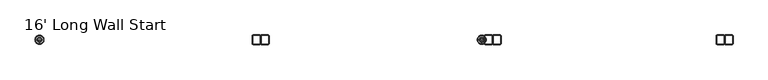
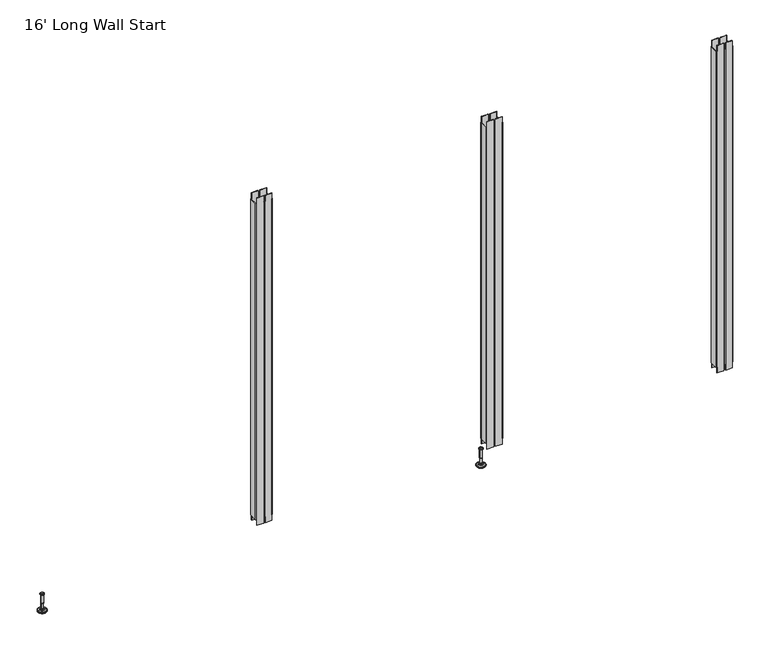
"""IFC4 building model written with IfcOpenShell, lengths in millimetres: furniture geometry, 16' Long Wall Start."""

from ifc_helpers import new_model, si_unit, frame, origin, place, context, project, spatial, polyline, circle_curve, faceted_brep, source, transform, mapped, element, save
from ifc_brep_helpers import plane_surface, cylinder_surface, revolved_surface, advanced_brep


def furniture_16_long_wall_start_6b36d2c8(model_context):
    return source(origin(), model_context, "Body", "SolidModel", [
        advanced_brep(
        [(2381.0635677, 0.0, 101.6), (2390.0414891, 0.0, 101.6), (2372.0856463, 0.0, 101.6), (2366.9593278, 0.0, 0.0206943), (2395.1678076, 0.0, 0.0206943), (2381.0635677, 0.0, 0.0206943), (2362.081296, 0.0, 1.4194474), (2400.0458394, 0.0, 1.4194474), (2358.319381, 0.0, 4.7394056), (2403.8077544, 0.0, 4.7394056), (2357.2019314, 0.0, 7.5051905), (2404.925204, 0.0, 7.5051905), (2357.2019314, 0.0, 8.3065967), (2404.925204, 0.0, 8.3065967), (2358.0443346, 0.0, 9.8469348), (2404.0828008, 0.0, 9.8469348), (2359.1444772, 0.0, 10.8375077), (2402.9826582, 0.0, 10.8375077), (2366.4481724, 0.0, 12.7338946), (2395.678963, 0.0, 12.7338946), (2373.8663238, 0.0, 13.3828987), (2388.2608116, 0.0, 13.3828987), (2373.8663238, 0.0, 14.1772758), (2388.2608116, 0.0, 14.1772758), (2376.2631166, 0.0, 14.1772758), (2385.8640188, 0.0, 14.1772758), (2376.2631166, 0.0, 18.8098403), (2385.8640188, 0.0, 18.8098403), (2375.247264, 0.0, 19.8256929), (2386.8798714, 0.0, 19.8256929), (2375.247264, 0.0, 48.3056352), (2386.8798714, 0.0, 48.3056352), (2374.0237361, 0.0, 49.9293116), (2388.1033993, 0.0, 49.9293116), (2374.0237361, 0.0, 97.327223), (2388.1033993, 0.0, 97.327223), (2373.1426317, 0.0, 97.6479188), (2388.9845037, 0.0, 97.6479188), (2372.0936428, 0.0, 97.6479188), (2390.0334926, 0.0, 97.6479188), (2370.4286129, 0.0, 98.6092242), (2391.6985225, 0.0, 98.6092242), (2370.4286129, 0.0, 100.6043539), (2391.6985225, 0.0, 100.6043539)],
        [
            (0, 1),
            (1, 2, circle_curve(frame((2381.0635677, 0.0, 101.6), z_axis=(0.0, 0.0, 1.0), x_axis=(1.0, 0.0, 0.0)), 8.9779214)),
            (2, 0),
            (2, 1, circle_curve(frame((2381.0635677, 0.0, 101.6), z_axis=(0.0, 0.0, 1.0), x_axis=(1.0, 0.0, 0.0)), 8.9779214)),
            (3, 4, circle_curve(frame((2381.0635677, 0.0, 0.0206943), z_axis=(0.0, 0.0, -1.0), x_axis=(1.0, 0.0, 0.0)), 14.1042399)),
            (4, 5),
            (5, 3),
            (4, 3, circle_curve(frame((2381.0635677, 0.0, 0.0206943), z_axis=(0.0, 0.0, -1.0), x_axis=(1.0, 0.0, 0.0)), 14.1042399)),
            (6, 7, circle_curve(frame((2381.0635677, 0.0, 1.4194474), z_axis=(0.0, 0.0, -1.0), x_axis=(1.0, 0.0, 0.0)), 18.9822717)),
            (7, 4),
            (3, 6),
            (7, 6, circle_curve(frame((2381.0635677, 0.0, 1.4194474), z_axis=(0.0, 0.0, -1.0), x_axis=(1.0, 0.0, 0.0)), 18.9822717)),
            (8, 9, circle_curve(frame((2381.0635677, 0.0, 4.7394056), z_axis=(0.0, 0.0, -1.0), x_axis=(1.0, 0.0, 0.0)), 22.7441867)),
            (9, 7),
            (6, 8),
            (9, 8, circle_curve(frame((2381.0635677, 0.0, 4.7394056), z_axis=(0.0, 0.0, -1.0), x_axis=(1.0, 0.0, 0.0)), 22.7441867)),
            (10, 11, circle_curve(frame((2381.0635677, 0.0, 7.5051905), z_axis=(0.0, 0.0, -1.0), x_axis=(1.0, 0.0, 0.0)), 23.8616363)),
            (11, 9),
            (8, 10),
            (11, 10, circle_curve(frame((2381.0635677, 0.0, 7.5051905), z_axis=(0.0, 0.0, -1.0), x_axis=(1.0, 0.0, 0.0)), 23.8616363)),
            (12, 13, circle_curve(frame((2381.0635677, 0.0, 8.3065967), z_axis=(0.0, 0.0, -1.0), x_axis=(1.0, 0.0, 0.0)), 23.8616363)),
            (13, 11),
            (10, 12),
            (13, 12, circle_curve(frame((2381.0635677, 0.0, 8.3065967), z_axis=(0.0, 0.0, -1.0), x_axis=(1.0, 0.0, 0.0)), 23.8616363)),
            (14, 15, circle_curve(frame((2381.0635677, 0.0, 9.8469348), z_axis=(0.0, 0.0, -1.0), x_axis=(1.0, 0.0, 0.0)), 23.0192331)),
            (15, 13),
            (12, 14),
            (15, 14, circle_curve(frame((2381.0635677, 0.0, 9.8469348), z_axis=(0.0, 0.0, -1.0), x_axis=(1.0, 0.0, 0.0)), 23.0192331)),
            (16, 17, circle_curve(frame((2381.0635677, 0.0, 10.8375077), z_axis=(0.0, 0.0, -1.0), x_axis=(1.0, 0.0, 0.0)), 21.9190905)),
            (17, 15),
            (14, 16),
            (17, 16, circle_curve(frame((2381.0635677, 0.0, 10.8375077), z_axis=(0.0, 0.0, -1.0), x_axis=(1.0, 0.0, 0.0)), 21.9190905)),
            (18, 19, circle_curve(frame((2381.0635677, 0.0, 12.7338946), z_axis=(0.0, 0.0, -1.0), x_axis=(1.0, 0.0, 0.0)), 14.6153953)),
            (19, 17),
            (16, 18),
            (19, 18, circle_curve(frame((2381.0635677, 0.0, 12.7338946), z_axis=(0.0, 0.0, -1.0), x_axis=(1.0, 0.0, 0.0)), 14.6153953)),
            (20, 21, circle_curve(frame((2381.0635677, 0.0, 13.3828987), z_axis=(0.0, 0.0, -1.0), x_axis=(1.0, 0.0, 0.0)), 7.1972439)),
            (21, 19),
            (18, 20),
            (21, 20, circle_curve(frame((2381.0635677, 0.0, 13.3828987), z_axis=(0.0, 0.0, -1.0), x_axis=(1.0, 0.0, 0.0)), 7.1972439)),
            (22, 23, circle_curve(frame((2381.0635677, 0.0, 14.1772758), z_axis=(0.0, 0.0, -1.0), x_axis=(1.0, 0.0, 0.0)), 7.1972439)),
            (23, 21),
            (20, 22),
            (23, 22, circle_curve(frame((2381.0635677, 0.0, 14.1772758), z_axis=(0.0, 0.0, -1.0), x_axis=(1.0, 0.0, 0.0)), 7.1972439)),
            (24, 25, circle_curve(frame((2381.0635677, 0.0, 14.1772758), z_axis=(0.0, 0.0, -1.0), x_axis=(1.0, 0.0, 0.0)), 4.8004511)),
            (25, 23),
            (22, 24),
            (25, 24, circle_curve(frame((2381.0635677, 0.0, 14.1772758), z_axis=(0.0, 0.0, -1.0), x_axis=(1.0, 0.0, 0.0)), 4.8004511)),
            (26, 27, circle_curve(frame((2381.0635677, 0.0, 18.8098403), z_axis=(0.0, 0.0, -1.0), x_axis=(1.0, 0.0, 0.0)), 4.8004511)),
            (27, 25),
            (24, 26),
            (27, 26, circle_curve(frame((2381.0635677, 0.0, 18.8098403), z_axis=(0.0, 0.0, -1.0), x_axis=(1.0, 0.0, 0.0)), 4.8004511)),
            (28, 29, circle_curve(frame((2381.0635677, 0.0, 19.8256929), z_axis=(0.0, 0.0, -1.0), x_axis=(1.0, 0.0, 0.0)), 5.8163037)),
            (29, 27),
            (26, 28),
            (29, 28, circle_curve(frame((2381.0635677, 0.0, 19.8256929), z_axis=(0.0, 0.0, -1.0), x_axis=(1.0, 0.0, 0.0)), 5.8163037)),
            (30, 31, circle_curve(frame((2381.0635677, 0.0, 48.3056352), z_axis=(0.0, 0.0, -1.0), x_axis=(1.0, 0.0, 0.0)), 5.8163037)),
            (31, 29),
            (28, 30),
            (31, 30, circle_curve(frame((2381.0635677, 0.0, 48.3056352), z_axis=(0.0, 0.0, -1.0), x_axis=(1.0, 0.0, 0.0)), 5.8163037)),
            (32, 33, circle_curve(frame((2381.0635677, 0.0, 49.9293116), z_axis=(0.0, 0.0, -1.0), x_axis=(1.0, 0.0, 0.0)), 7.0398316)),
            (33, 31),
            (30, 32),
            (33, 32, circle_curve(frame((2381.0635677, 0.0, 49.9293116), z_axis=(0.0, 0.0, -1.0), x_axis=(1.0, 0.0, 0.0)), 7.0398316)),
            (34, 35, circle_curve(frame((2381.0635677, 0.0, 97.327223), z_axis=(0.0, 0.0, -1.0), x_axis=(1.0, 0.0, 0.0)), 7.0398316)),
            (35, 33),
            (32, 34),
            (35, 34, circle_curve(frame((2381.0635677, 0.0, 97.327223), z_axis=(0.0, 0.0, -1.0), x_axis=(1.0, 0.0, 0.0)), 7.0398316)),
            (36, 37, circle_curve(frame((2381.0635677, 0.0, 97.6479188), z_axis=(0.0, 0.0, -1.0), x_axis=(1.0, 0.0, 0.0)), 7.920936)),
            (37, 35),
            (34, 36),
            (37, 36, circle_curve(frame((2381.0635677, 0.0, 97.6479188), z_axis=(0.0, 0.0, -1.0), x_axis=(1.0, 0.0, 0.0)), 7.920936)),
            (38, 39, circle_curve(frame((2381.0635677, 0.0, 97.6479188), z_axis=(0.0, 0.0, -1.0), x_axis=(1.0, 0.0, 0.0)), 8.9699249)),
            (39, 37),
            (36, 38),
            (39, 38, circle_curve(frame((2381.0635677, 0.0, 97.6479188), z_axis=(0.0, 0.0, -1.0), x_axis=(1.0, 0.0, 0.0)), 8.9699249)),
            (40, 41, circle_curve(frame((2381.0635677, 0.0, 98.6092242), z_axis=(0.0, 0.0, -1.0), x_axis=(1.0, 0.0, 0.0)), 10.6349548)),
            (41, 39),
            (38, 40),
            (41, 40, circle_curve(frame((2381.0635677, 0.0, 98.6092242), z_axis=(0.0, 0.0, -1.0), x_axis=(1.0, 0.0, 0.0)), 10.6349548)),
            (42, 43, circle_curve(frame((2381.0635677, 0.0, 100.6043539), z_axis=(0.0, 0.0, -1.0), x_axis=(1.0, 0.0, 0.0)), 10.6349548)),
            (43, 41),
            (40, 42),
            (43, 42, circle_curve(frame((2381.0635677, 0.0, 100.6043539), z_axis=(0.0, 0.0, -1.0), x_axis=(1.0, 0.0, 0.0)), 10.6349548)),
            (1, 43),
            (42, 2),
        ],
        [
            plane_surface(frame((2381.0635677, 0.0, 101.6), z_axis=(0.0, 0.0, 1.0), x_axis=(1.0, 0.0, 0.0))),
            plane_surface(frame((2381.0635677, 0.0, 0.0206943), z_axis=(0.0, 0.0, -1.0), x_axis=(1.0, 0.0, 0.0))),
            revolved_surface(polyline([(2395.1678076, 0.0, 0.0206943), (2400.0458394, 0.0, 1.4194474)]), (2381.0635677, 0.0, 101.6), (0.0, 0.0, 1.0)),
            revolved_surface(polyline([(2400.0458394, 0.0, 1.4194474), (2403.8077544, 0.0, 4.7394056)]), (2381.0635677, 0.0, 101.6), (0.0, 0.0, 1.0)),
            revolved_surface(polyline([(2403.8077544, 0.0, 4.7394056), (2404.925204, 0.0, 7.5051905)]), (2381.0635677, 0.0, 101.6), (0.0, 0.0, 1.0)),
            cylinder_surface(frame((2381.0635677, 0.0, 101.6), z_axis=(0.0, 0.0, 1.0), x_axis=(1.0, 0.0, 0.0)), 23.8616363),
            revolved_surface(polyline([(2404.925204, 0.0, 8.3065967), (2404.0828008, 0.0, 9.8469348)]), (2381.0635677, 0.0, 101.6), (0.0, 0.0, 1.0)),
            revolved_surface(polyline([(2404.0828008, 0.0, 9.8469348), (2402.9826582, 0.0, 10.8375077)]), (2381.0635677, 0.0, 101.6), (0.0, 0.0, 1.0)),
            revolved_surface(polyline([(2402.9826582, 0.0, 10.8375077), (2395.678963, 0.0, 12.7338946)]), (2381.0635677, 0.0, 101.6), (0.0, 0.0, 1.0)),
            revolved_surface(polyline([(2395.678963, 0.0, 12.7338946), (2388.2608116, 0.0, 13.3828987)]), (2381.0635677, 0.0, 101.6), (0.0, 0.0, 1.0)),
            cylinder_surface(frame((2381.0635677, 0.0, 101.6), z_axis=(0.0, 0.0, 1.0), x_axis=(1.0, 0.0, 0.0)), 7.1972439),
            plane_surface(frame((2381.0635677, 0.0, 14.1772758), z_axis=(0.0, 0.0, 1.0), x_axis=(1.0, 0.0, 0.0))),
            cylinder_surface(frame((2381.0635677, 0.0, 101.6), z_axis=(0.0, 0.0, 1.0), x_axis=(1.0, 0.0, 0.0)), 4.8004511),
            revolved_surface(polyline([(2385.8640188, 0.0, 18.8098403), (2386.8798714, 0.0, 19.8256929)]), (2381.0635677, 0.0, 101.6), (0.0, 0.0, 1.0)),
            cylinder_surface(frame((2381.0635677, 0.0, 101.6), z_axis=(0.0, 0.0, 1.0), x_axis=(1.0, 0.0, 0.0)), 5.8163037),
            revolved_surface(polyline([(2386.8798714, 0.0, 48.3056352), (2388.1033993, 0.0, 49.9293116)]), (2381.0635677, 0.0, 101.6), (0.0, 0.0, 1.0)),
            cylinder_surface(frame((2381.0635677, 0.0, 101.6), z_axis=(0.0, 0.0, 1.0), x_axis=(1.0, 0.0, 0.0)), 7.0398316),
            revolved_surface(polyline([(2388.1033993, 0.0, 97.327223), (2388.9845037, 0.0, 97.6479188)]), (2381.0635677, 0.0, 101.6), (0.0, 0.0, 1.0)),
            plane_surface(frame((2381.0635677, 0.0, 97.6479188), z_axis=(0.0, 0.0, -1.0), x_axis=(1.0, 0.0, 0.0))),
            revolved_surface(polyline([(2390.0334926, 0.0, 97.6479188), (2391.6985225, 0.0, 98.6092242)]), (2381.0635677, 0.0, 101.6), (0.0, 0.0, 1.0)),
            cylinder_surface(frame((2381.0635677, 0.0, 101.6), z_axis=(0.0, 0.0, 1.0), x_axis=(1.0, 0.0, 0.0)), 10.6349548),
            revolved_surface(polyline([(2391.6985225, 0.0, 100.6043539), (2390.0414891, 0.0, 101.6)]), (2381.0635677, 0.0, 101.6), (0.0, 0.0, 1.0)),
        ],
        [
            (0, [[1, 2, 3]]),
            (0, [[-3, 4, -1]]),
            (1, [[5, 6, 7]]),
            (1, [[8, -7, -6]]),
            (2, [[9, 10, -5, 11]]),
            (2, [[12, -11, -8, -10]]),
            (3, [[13, 14, -9, 15]]),
            (3, [[16, -15, -12, -14]]),
            (4, [[17, 18, -13, 19]]),
            (4, [[20, -19, -16, -18]]),
            (5, [[21, 22, -17, 23]]),
            (5, [[24, -23, -20, -22]]),
            (6, [[25, 26, -21, 27]]),
            (6, [[28, -27, -24, -26]]),
            (7, [[29, 30, -25, 31]]),
            (7, [[32, -31, -28, -30]]),
            (8, [[33, 34, -29, 35]]),
            (8, [[36, -35, -32, -34]]),
            (9, [[37, 38, -33, 39]]),
            (9, [[40, -39, -36, -38]]),
            (10, [[41, 42, -37, 43]]),
            (10, [[44, -43, -40, -42]]),
            (11, [[45, 46, -41, 47]]),
            (11, [[48, -47, -44, -46]]),
            (12, [[49, 50, -45, 51]]),
            (12, [[52, -51, -48, -50]]),
            (13, [[53, 54, -49, 55]]),
            (13, [[56, -55, -52, -54]]),
            (14, [[57, 58, -53, 59]]),
            (14, [[60, -59, -56, -58]]),
            (15, [[61, 62, -57, 63]]),
            (15, [[64, -63, -60, -62]]),
            (16, [[65, 66, -61, 67]]),
            (16, [[68, -67, -64, -66]]),
            (17, [[69, 70, -65, 71]]),
            (17, [[72, -71, -68, -70]]),
            (18, [[73, 74, -69, 75]]),
            (18, [[76, -75, -72, -74]]),
            (19, [[77, 78, -73, 79]]),
            (19, [[80, -79, -76, -78]]),
            (20, [[81, 82, -77, 83]]),
            (20, [[84, -83, -80, -82]]),
            (21, [[-2, 85, -81, 86]]),
            (21, [[-4, -86, -84, -85]]),
        ],
    ),
        advanced_brep(
        [(57.0627865, 0.0, 101.6), (66.0407079, 0.0, 101.6), (48.084865, 0.0, 101.6), (42.9585465, 0.0, 0.0206943), (71.1670264, 0.0, 0.0206943), (57.0627865, 0.0, 0.0206943), (38.0805148, 0.0, 1.4194474), (76.0450581, 0.0, 1.4194474), (34.3185997, 0.0, 4.7394056), (79.8069732, 0.0, 4.7394056), (33.2011501, 0.0, 7.5051905), (80.9244228, 0.0, 7.5051905), (33.2011501, 0.0, 8.3065967), (80.9244228, 0.0, 8.3065967), (34.0435533, 0.0, 9.8469348), (80.0820196, 0.0, 9.8469348), (35.143696, 0.0, 10.8375077), (78.9818769, 0.0, 10.8375077), (42.4473912, 0.0, 12.7338946), (71.6781817, 0.0, 12.7338946), (49.8655426, 0.0, 13.3828987), (64.2600304, 0.0, 13.3828987), (49.8655426, 0.0, 14.1772758), (64.2600304, 0.0, 14.1772758), (52.2623354, 0.0, 14.1772758), (61.8632375, 0.0, 14.1772758), (52.2623354, 0.0, 18.8098403), (61.8632375, 0.0, 18.8098403), (51.2464827, 0.0, 19.8256929), (62.8790902, 0.0, 19.8256929), (51.2464827, 0.0, 48.3056352), (62.8790902, 0.0, 48.3056352), (50.0229548, 0.0, 49.9293116), (64.1026181, 0.0, 49.9293116), (50.0229548, 0.0, 97.327223), (64.1026181, 0.0, 97.327223), (49.1418505, 0.0, 97.6479188), (64.9837224, 0.0, 97.6479188), (48.0928615, 0.0, 97.6479188), (66.0327114, 0.0, 97.6479188), (46.4278316, 0.0, 98.6092242), (67.6977413, 0.0, 98.6092242), (46.4278316, 0.0, 100.6043539), (67.6977413, 0.0, 100.6043539)],
        [
            (0, 1),
            (1, 2, circle_curve(frame((57.0627865, 0.0, 101.6), z_axis=(0.0, 0.0, 1.0), x_axis=(1.0, 0.0, 0.0)), 8.9779214)),
            (2, 0),
            (2, 1, circle_curve(frame((57.0627865, 0.0, 101.6), z_axis=(0.0, 0.0, 1.0), x_axis=(1.0, 0.0, 0.0)), 8.9779214)),
            (3, 4, circle_curve(frame((57.0627865, 0.0, 0.0206943), z_axis=(0.0, 0.0, -1.0), x_axis=(1.0, 0.0, 0.0)), 14.1042399)),
            (4, 5),
            (5, 3),
            (4, 3, circle_curve(frame((57.0627865, 0.0, 0.0206943), z_axis=(0.0, 0.0, -1.0), x_axis=(1.0, 0.0, 0.0)), 14.1042399)),
            (6, 7, circle_curve(frame((57.0627865, 0.0, 1.4194474), z_axis=(0.0, 0.0, -1.0), x_axis=(1.0, 0.0, 0.0)), 18.9822717)),
            (7, 4),
            (3, 6),
            (7, 6, circle_curve(frame((57.0627865, 0.0, 1.4194474), z_axis=(0.0, 0.0, -1.0), x_axis=(1.0, 0.0, 0.0)), 18.9822717)),
            (8, 9, circle_curve(frame((57.0627865, 0.0, 4.7394056), z_axis=(0.0, 0.0, -1.0), x_axis=(1.0, 0.0, 0.0)), 22.7441867)),
            (9, 7),
            (6, 8),
            (9, 8, circle_curve(frame((57.0627865, 0.0, 4.7394056), z_axis=(0.0, 0.0, -1.0), x_axis=(1.0, 0.0, 0.0)), 22.7441867)),
            (10, 11, circle_curve(frame((57.0627865, 0.0, 7.5051905), z_axis=(0.0, 0.0, -1.0), x_axis=(1.0, 0.0, 0.0)), 23.8616363)),
            (11, 9),
            (8, 10),
            (11, 10, circle_curve(frame((57.0627865, 0.0, 7.5051905), z_axis=(0.0, 0.0, -1.0), x_axis=(1.0, 0.0, 0.0)), 23.8616363)),
            (12, 13, circle_curve(frame((57.0627865, 0.0, 8.3065967), z_axis=(0.0, 0.0, -1.0), x_axis=(1.0, 0.0, 0.0)), 23.8616363)),
            (13, 11),
            (10, 12),
            (13, 12, circle_curve(frame((57.0627865, 0.0, 8.3065967), z_axis=(0.0, 0.0, -1.0), x_axis=(1.0, 0.0, 0.0)), 23.8616363)),
            (14, 15, circle_curve(frame((57.0627865, 0.0, 9.8469348), z_axis=(0.0, 0.0, -1.0), x_axis=(1.0, 0.0, 0.0)), 23.0192331)),
            (15, 13),
            (12, 14),
            (15, 14, circle_curve(frame((57.0627865, 0.0, 9.8469348), z_axis=(0.0, 0.0, -1.0), x_axis=(1.0, 0.0, 0.0)), 23.0192331)),
            (16, 17, circle_curve(frame((57.0627865, 0.0, 10.8375077), z_axis=(0.0, 0.0, -1.0), x_axis=(1.0, 0.0, 0.0)), 21.9190905)),
            (17, 15),
            (14, 16),
            (17, 16, circle_curve(frame((57.0627865, 0.0, 10.8375077), z_axis=(0.0, 0.0, -1.0), x_axis=(1.0, 0.0, 0.0)), 21.9190905)),
            (18, 19, circle_curve(frame((57.0627865, 0.0, 12.7338946), z_axis=(0.0, 0.0, -1.0), x_axis=(1.0, 0.0, 0.0)), 14.6153953)),
            (19, 17),
            (16, 18),
            (19, 18, circle_curve(frame((57.0627865, 0.0, 12.7338946), z_axis=(0.0, 0.0, -1.0), x_axis=(1.0, 0.0, 0.0)), 14.6153953)),
            (20, 21, circle_curve(frame((57.0627865, 0.0, 13.3828987), z_axis=(0.0, 0.0, -1.0), x_axis=(1.0, 0.0, 0.0)), 7.1972439)),
            (21, 19),
            (18, 20),
            (21, 20, circle_curve(frame((57.0627865, 0.0, 13.3828987), z_axis=(0.0, 0.0, -1.0), x_axis=(1.0, 0.0, 0.0)), 7.1972439)),
            (22, 23, circle_curve(frame((57.0627865, 0.0, 14.1772758), z_axis=(0.0, 0.0, -1.0), x_axis=(1.0, 0.0, 0.0)), 7.1972439)),
            (23, 21),
            (20, 22),
            (23, 22, circle_curve(frame((57.0627865, 0.0, 14.1772758), z_axis=(0.0, 0.0, -1.0), x_axis=(1.0, 0.0, 0.0)), 7.1972439)),
            (24, 25, circle_curve(frame((57.0627865, 0.0, 14.1772758), z_axis=(0.0, 0.0, -1.0), x_axis=(1.0, 0.0, 0.0)), 4.8004511)),
            (25, 23),
            (22, 24),
            (25, 24, circle_curve(frame((57.0627865, 0.0, 14.1772758), z_axis=(0.0, 0.0, -1.0), x_axis=(1.0, 0.0, 0.0)), 4.8004511)),
            (26, 27, circle_curve(frame((57.0627865, 0.0, 18.8098403), z_axis=(0.0, 0.0, -1.0), x_axis=(1.0, 0.0, 0.0)), 4.8004511)),
            (27, 25),
            (24, 26),
            (27, 26, circle_curve(frame((57.0627865, 0.0, 18.8098403), z_axis=(0.0, 0.0, -1.0), x_axis=(1.0, 0.0, 0.0)), 4.8004511)),
            (28, 29, circle_curve(frame((57.0627865, 0.0, 19.8256929), z_axis=(0.0, 0.0, -1.0), x_axis=(1.0, 0.0, 0.0)), 5.8163037)),
            (29, 27),
            (26, 28),
            (29, 28, circle_curve(frame((57.0627865, 0.0, 19.8256929), z_axis=(0.0, 0.0, -1.0), x_axis=(1.0, 0.0, 0.0)), 5.8163037)),
            (30, 31, circle_curve(frame((57.0627865, 0.0, 48.3056352), z_axis=(0.0, 0.0, -1.0), x_axis=(1.0, 0.0, 0.0)), 5.8163037)),
            (31, 29),
            (28, 30),
            (31, 30, circle_curve(frame((57.0627865, 0.0, 48.3056352), z_axis=(0.0, 0.0, -1.0), x_axis=(1.0, 0.0, 0.0)), 5.8163037)),
            (32, 33, circle_curve(frame((57.0627865, 0.0, 49.9293116), z_axis=(0.0, 0.0, -1.0), x_axis=(1.0, 0.0, 0.0)), 7.0398316)),
            (33, 31),
            (30, 32),
            (33, 32, circle_curve(frame((57.0627865, 0.0, 49.9293116), z_axis=(0.0, 0.0, -1.0), x_axis=(1.0, 0.0, 0.0)), 7.0398316)),
            (34, 35, circle_curve(frame((57.0627865, 0.0, 97.327223), z_axis=(0.0, 0.0, -1.0), x_axis=(1.0, 0.0, 0.0)), 7.0398316)),
            (35, 33),
            (32, 34),
            (35, 34, circle_curve(frame((57.0627865, 0.0, 97.327223), z_axis=(0.0, 0.0, -1.0), x_axis=(1.0, 0.0, 0.0)), 7.0398316)),
            (36, 37, circle_curve(frame((57.0627865, 0.0, 97.6479188), z_axis=(0.0, 0.0, -1.0), x_axis=(1.0, 0.0, 0.0)), 7.920936)),
            (37, 35),
            (34, 36),
            (37, 36, circle_curve(frame((57.0627865, 0.0, 97.6479188), z_axis=(0.0, 0.0, -1.0), x_axis=(1.0, 0.0, 0.0)), 7.920936)),
            (38, 39, circle_curve(frame((57.0627865, 0.0, 97.6479188), z_axis=(0.0, 0.0, -1.0), x_axis=(1.0, 0.0, 0.0)), 8.9699249)),
            (39, 37),
            (36, 38),
            (39, 38, circle_curve(frame((57.0627865, 0.0, 97.6479188), z_axis=(0.0, 0.0, -1.0), x_axis=(1.0, 0.0, 0.0)), 8.9699249)),
            (40, 41, circle_curve(frame((57.0627865, 0.0, 98.6092242), z_axis=(0.0, 0.0, -1.0), x_axis=(1.0, 0.0, 0.0)), 10.6349548)),
            (41, 39),
            (38, 40),
            (41, 40, circle_curve(frame((57.0627865, 0.0, 98.6092242), z_axis=(0.0, 0.0, -1.0), x_axis=(1.0, 0.0, 0.0)), 10.6349548)),
            (42, 43, circle_curve(frame((57.0627865, 0.0, 100.6043539), z_axis=(0.0, 0.0, -1.0), x_axis=(1.0, 0.0, 0.0)), 10.6349548)),
            (43, 41),
            (40, 42),
            (43, 42, circle_curve(frame((57.0627865, 0.0, 100.6043539), z_axis=(0.0, 0.0, -1.0), x_axis=(1.0, 0.0, 0.0)), 10.6349548)),
            (1, 43),
            (42, 2),
        ],
        [
            plane_surface(frame((57.0627865, 0.0, 101.6), z_axis=(0.0, 0.0, 1.0), x_axis=(1.0, 0.0, 0.0))),
            plane_surface(frame((57.0627865, 0.0, 0.0206943), z_axis=(0.0, 0.0, -1.0), x_axis=(1.0, 0.0, 0.0))),
            revolved_surface(polyline([(71.1670264, 0.0, 0.0206943), (76.0450581, 0.0, 1.4194474)]), (57.0627865, 0.0, 101.6), (0.0, 0.0, 1.0)),
            revolved_surface(polyline([(76.0450581, 0.0, 1.4194474), (79.8069732, 0.0, 4.7394056)]), (57.0627865, 0.0, 101.6), (0.0, 0.0, 1.0)),
            revolved_surface(polyline([(79.8069732, 0.0, 4.7394056), (80.9244228, 0.0, 7.5051905)]), (57.0627865, 0.0, 101.6), (0.0, 0.0, 1.0)),
            cylinder_surface(frame((57.0627865, 0.0, 101.6), z_axis=(0.0, 0.0, 1.0), x_axis=(1.0, 0.0, 0.0)), 23.8616363),
            revolved_surface(polyline([(80.9244228, 0.0, 8.3065967), (80.0820196, 0.0, 9.8469348)]), (57.0627865, 0.0, 101.6), (0.0, 0.0, 1.0)),
            revolved_surface(polyline([(80.0820196, 0.0, 9.8469348), (78.9818769, 0.0, 10.8375077)]), (57.0627865, 0.0, 101.6), (0.0, 0.0, 1.0)),
            revolved_surface(polyline([(78.9818769, 0.0, 10.8375077), (71.6781817, 0.0, 12.7338946)]), (57.0627865, 0.0, 101.6), (0.0, 0.0, 1.0)),
            revolved_surface(polyline([(71.6781817, 0.0, 12.7338946), (64.2600304, 0.0, 13.3828987)]), (57.0627865, 0.0, 101.6), (0.0, 0.0, 1.0)),
            cylinder_surface(frame((57.0627865, 0.0, 101.6), z_axis=(0.0, 0.0, 1.0), x_axis=(1.0, 0.0, 0.0)), 7.1972439),
            plane_surface(frame((57.0627865, 0.0, 14.1772758), z_axis=(0.0, 0.0, 1.0), x_axis=(1.0, 0.0, 0.0))),
            cylinder_surface(frame((57.0627865, 0.0, 101.6), z_axis=(0.0, 0.0, 1.0), x_axis=(1.0, 0.0, 0.0)), 4.8004511),
            revolved_surface(polyline([(61.8632375, 0.0, 18.8098403), (62.8790902, 0.0, 19.8256929)]), (57.0627865, 0.0, 101.6), (0.0, 0.0, 1.0)),
            cylinder_surface(frame((57.0627865, 0.0, 101.6), z_axis=(0.0, 0.0, 1.0), x_axis=(1.0, 0.0, 0.0)), 5.8163037),
            revolved_surface(polyline([(62.8790902, 0.0, 48.3056352), (64.1026181, 0.0, 49.9293116)]), (57.0627865, 0.0, 101.6), (0.0, 0.0, 1.0)),
            cylinder_surface(frame((57.0627865, 0.0, 101.6), z_axis=(0.0, 0.0, 1.0), x_axis=(1.0, 0.0, 0.0)), 7.0398316),
            revolved_surface(polyline([(64.1026181, 0.0, 97.327223), (64.9837224, 0.0, 97.6479188)]), (57.0627865, 0.0, 101.6), (0.0, 0.0, 1.0)),
            plane_surface(frame((57.0627865, 0.0, 97.6479188), z_axis=(0.0, 0.0, -1.0), x_axis=(1.0, 0.0, 0.0))),
            revolved_surface(polyline([(66.0327114, 0.0, 97.6479188), (67.6977413, 0.0, 98.6092242)]), (57.0627865, 0.0, 101.6), (0.0, 0.0, 1.0)),
            cylinder_surface(frame((57.0627865, 0.0, 101.6), z_axis=(0.0, 0.0, 1.0), x_axis=(1.0, 0.0, 0.0)), 10.6349548),
            revolved_surface(polyline([(67.6977413, 0.0, 100.6043539), (66.0407079, 0.0, 101.6)]), (57.0627865, 0.0, 101.6), (0.0, 0.0, 1.0)),
        ],
        [
            (0, [[1, 2, 3]]),
            (0, [[-3, 4, -1]]),
            (1, [[5, 6, 7]]),
            (1, [[8, -7, -6]]),
            (2, [[9, 10, -5, 11]]),
            (2, [[12, -11, -8, -10]]),
            (3, [[13, 14, -9, 15]]),
            (3, [[16, -15, -12, -14]]),
            (4, [[17, 18, -13, 19]]),
            (4, [[20, -19, -16, -18]]),
            (5, [[21, 22, -17, 23]]),
            (5, [[24, -23, -20, -22]]),
            (6, [[25, 26, -21, 27]]),
            (6, [[28, -27, -24, -26]]),
            (7, [[29, 30, -25, 31]]),
            (7, [[32, -31, -28, -30]]),
            (8, [[33, 34, -29, 35]]),
            (8, [[36, -35, -32, -34]]),
            (9, [[37, 38, -33, 39]]),
            (9, [[40, -39, -36, -38]]),
            (10, [[41, 42, -37, 43]]),
            (10, [[44, -43, -40, -42]]),
            (11, [[45, 46, -41, 47]]),
            (11, [[48, -47, -44, -46]]),
            (12, [[49, 50, -45, 51]]),
            (12, [[52, -51, -48, -50]]),
            (13, [[53, 54, -49, 55]]),
            (13, [[56, -55, -52, -54]]),
            (14, [[57, 58, -53, 59]]),
            (14, [[60, -59, -56, -58]]),
            (15, [[61, 62, -57, 63]]),
            (15, [[64, -63, -60, -62]]),
            (16, [[65, 66, -61, 67]]),
            (16, [[68, -67, -64, -66]]),
            (17, [[69, 70, -65, 71]]),
            (17, [[72, -71, -68, -70]]),
            (18, [[73, 74, -69, 75]]),
            (18, [[76, -75, -72, -74]]),
            (19, [[77, 78, -73, 79]]),
            (19, [[80, -79, -76, -78]]),
            (20, [[81, 82, -77, 83]]),
            (20, [[84, -83, -80, -82]]),
            (21, [[-2, 85, -81, 86]]),
            (21, [[-4, -86, -84, -85]]),
        ],
    ),
        faceted_brep([(1223.6958, 25.4, 1937.6408515), (1223.6958, 23.1181008, 1937.6408515), (1224.1151471, 23.2918, 1937.6408515), (1258.7348529, 23.2918, 1937.6408515), (1259.1542, 23.1181008, 1937.6408515), (1259.1542, 25.4, 1937.6408515), (1259.1542, -25.4, 1937.6408515), (1259.1542, -23.1181008, 1937.6408515), (1258.7348529, -23.2918, 1937.6408515), (1224.1151471, -23.2918, 1937.6408515), (1223.6958, -23.1181008, 1937.6408515), (1223.6958, -25.4, 1937.6408515), (1223.6958, -25.4, 104.7768515), (1223.6958, -23.1181008, 104.7768515), (1224.1151471, -23.2918, 104.7768515), (1258.7348529, -23.2918, 104.7768515), (1259.1542, -23.1181008, 104.7768515), (1259.1542, -25.4, 104.7768515), (1259.1542, 25.4, 104.7768515), (1259.1542, 23.1181008, 104.7768515), (1258.7348529, 23.2918, 104.7768515), (1224.1151471, 23.2918, 104.7768515), (1223.6958, 23.1181008, 104.7768515), (1223.6958, 25.4, 104.7768515), (1263.65, -20.9042, 1905.6368515), (1263.65, -20.9042, 136.7808515), (1263.65, 20.9042, 136.7808515), (1263.65, 20.9042, 1905.6368515), (1223.6958, -25.4, 1905.6368515), (1223.6958, -25.4, 136.7808515), (1259.1542, -25.4, 136.7808515), (1259.1542, -25.4, 1905.6368515), (1219.2, -20.9042, 136.7808515), (1219.2, -20.9042, 1905.6368515), (1219.2, 20.9042, 1905.6368515), (1219.2, 20.9042, 136.7808515), (1259.1542, 25.4, 1905.6368515), (1259.1542, 25.4, 136.7808515), (1223.6958, 25.4, 136.7808515), (1223.6958, 25.4, 1905.6368515), (1262.3332107, 24.0832107, 1905.6368515), (1262.3332107, 24.0832107, 136.7808515), (1262.3332107, -24.0832107, 1905.6368515), (1262.3332107, -24.0832107, 136.7808515), (1220.5167893, -24.0832107, 1905.6368515), (1220.5167893, -24.0832107, 136.7808515), (1220.5167893, 24.0832107, 1905.6368515), (1220.5167893, 24.0832107, 136.7808515), (1261.5418, 20.4848529, 1905.6368515), (1261.5418, 20.4848529, 136.7808515), (1261.5418, -20.4848529, 136.7808515), (1261.5418, -20.4848529, 1905.6368515), (1260.7196642, 22.4696642, 1905.6368515), (1260.7196642, 22.4696642, 136.7808515), (1259.1542, 23.1181008, 136.7808515), (1259.1542, 23.1181008, 1905.6368515), (1223.6958, 23.1181008, 1905.6368515), (1222.1303358, 22.4696642, 1905.6368515), (1222.1303358, 22.4696642, 136.7808515), (1223.6958, 23.1181008, 136.7808515), (1221.3082, 20.4848529, 1905.6368515), (1221.3082, 20.4848529, 136.7808515), (1221.3082, -20.4848529, 1905.6368515), (1221.3082, -20.4848529, 136.7808515), (1222.1303358, -22.4696642, 1905.6368515), (1222.1303358, -22.4696642, 136.7808515), (1223.6958, -23.1181008, 136.7808515), (1223.6958, -23.1181008, 1905.6368515), (1259.1542, -23.1181008, 1905.6368515), (1260.7196642, -22.4696642, 1905.6368515), (1260.7196642, -22.4696642, 136.7808515), (1259.1542, -23.1181008, 136.7808515)], [[[0, 1, 2, 3, 4, 5]], [[6, 7, 8, 9, 10, 11]], [[12, 13, 14, 15, 16, 17]], [[18, 19, 20, 21, 22, 23]], [[24, 25, 26, 27]], [[11, 28, 29, 12, 17, 30, 31, 6]], [[32, 33, 34, 35]], [[5, 36, 37, 18, 23, 38, 39, 0]], [[40, 41, 37, 36]], [[27, 26, 41, 40]], [[42, 43, 25, 24]], [[31, 30, 43, 42]], [[29, 28, 44, 45]], [[45, 44, 33, 32]], [[35, 34, 46, 47]], [[47, 46, 39, 38]], [[48, 49, 50, 51]], [[52, 53, 49, 48]], [[20, 19, 54, 53, 52, 55, 4, 3]], [[2, 21, 20, 3]], [[2, 1, 56, 57, 58, 59, 22, 21]], [[58, 57, 60, 61]], [[61, 60, 62, 63]], [[63, 62, 64, 65]], [[14, 13, 66, 65, 64, 67, 10, 9]], [[8, 15, 14, 9]], [[8, 7, 68, 69, 70, 71, 16, 15]], [[51, 50, 70, 69]], [[55, 52, 48, 51, 69, 68, 31, 42, 24, 27, 40, 36]], [[36, 5, 4, 55]], [[68, 7, 6, 31]], [[37, 41, 26, 25, 43, 30, 71, 70, 50, 49, 53, 54]], [[30, 17, 16, 71]], [[54, 19, 18, 37]], [[59, 58, 61, 63, 65, 66, 29, 45, 32, 35, 47, 38]], [[38, 23, 22, 59]], [[66, 13, 12, 29]], [[39, 46, 34, 33, 44, 28, 67, 64, 62, 60, 57, 56]], [[28, 11, 10, 67]], [[56, 1, 0, 39]]]),
        faceted_brep([(1179.2458, 25.4, 1937.6408515), (1179.2458, 23.1181008, 1937.6408515), (1179.6651471, 23.2918, 1937.6408515), (1214.2848529, 23.2918, 1937.6408515), (1214.7042, 23.1181008, 1937.6408515), (1214.7042, 25.4, 1937.6408515), (1214.7042, -25.4, 1937.6408515), (1214.7042, -23.1181008, 1937.6408515), (1214.2848529, -23.2918, 1937.6408515), (1179.6651471, -23.2918, 1937.6408515), (1179.2458, -23.1181008, 1937.6408515), (1179.2458, -25.4, 1937.6408515), (1179.2458, -25.4, 104.7768515), (1179.2458, -23.1181008, 104.7768515), (1179.6651471, -23.2918, 104.7768515), (1214.2848529, -23.2918, 104.7768515), (1214.7042, -23.1181008, 104.7768515), (1214.7042, -25.4, 104.7768515), (1214.7042, 25.4, 104.7768515), (1214.7042, 23.1181008, 104.7768515), (1214.2848529, 23.2918, 104.7768515), (1179.6651471, 23.2918, 104.7768515), (1179.2458, 23.1181008, 104.7768515), (1179.2458, 25.4, 104.7768515), (1174.75, 20.9042, 1905.6368515), (1174.75, 20.9042, 136.7808515), (1174.75, -20.9042, 136.7808515), (1174.75, -20.9042, 1905.6368515), (1179.2458, -25.4, 1905.6368515), (1179.2458, -25.4, 136.7808515), (1214.7042, -25.4, 136.7808515), (1214.7042, -25.4, 1905.6368515), (1219.2, -20.9042, 1905.6368515), (1219.2, -20.9042, 136.7808515), (1219.2, 20.9042, 136.7808515), (1219.2, 20.9042, 1905.6368515), (1214.7042, 25.4, 1905.6368515), (1214.7042, 25.4, 136.7808515), (1179.2458, 25.4, 136.7808515), (1179.2458, 25.4, 1905.6368515), (1176.0667893, 24.0832107, 136.7808515), (1176.0667893, 24.0832107, 1905.6368515), (1176.0667893, -24.0832107, 136.7808515), (1176.0667893, -24.0832107, 1905.6368515), (1217.8832107, -24.0832107, 136.7808515), (1217.8832107, -24.0832107, 1905.6368515), (1217.8832107, 24.0832107, 136.7808515), (1217.8832107, 24.0832107, 1905.6368515), (1176.8582, -20.4848529, 1905.6368515), (1176.8582, -20.4848529, 136.7808515), (1176.8582, 20.4848529, 136.7808515), (1176.8582, 20.4848529, 1905.6368515), (1177.6803358, 22.4696642, 136.7808515), (1177.6803358, 22.4696642, 1905.6368515), (1179.2458, 23.1181008, 1905.6368515), (1179.2458, 23.1181008, 136.7808515), (1214.7042, 23.1181008, 136.7808515), (1216.2696642, 22.4696642, 136.7808515), (1216.2696642, 22.4696642, 1905.6368515), (1214.7042, 23.1181008, 1905.6368515), (1217.0918, 20.4848529, 136.7808515), (1217.0918, 20.4848529, 1905.6368515), (1217.0918, -20.4848529, 136.7808515), (1217.0918, -20.4848529, 1905.6368515), (1216.2696642, -22.4696642, 136.7808515), (1216.2696642, -22.4696642, 1905.6368515), (1214.7042, -23.1181008, 1905.6368515), (1214.7042, -23.1181008, 136.7808515), (1179.2458, -23.1181008, 136.7808515), (1177.6803358, -22.4696642, 136.7808515), (1177.6803358, -22.4696642, 1905.6368515), (1179.2458, -23.1181008, 1905.6368515)], [[[0, 1, 2, 3, 4, 5]], [[6, 7, 8, 9, 10, 11]], [[12, 13, 14, 15, 16, 17]], [[18, 19, 20, 21, 22, 23]], [[24, 25, 26, 27]], [[11, 28, 29, 12, 17, 30, 31, 6]], [[32, 33, 34, 35]], [[5, 36, 37, 18, 23, 38, 39, 0]], [[39, 38, 40, 41]], [[41, 40, 25, 24]], [[27, 26, 42, 43]], [[43, 42, 29, 28]], [[31, 30, 44, 45]], [[45, 44, 33, 32]], [[35, 34, 46, 47]], [[47, 46, 37, 36]], [[48, 49, 50, 51]], [[51, 50, 52, 53]], [[2, 1, 54, 53, 52, 55, 22, 21]], [[2, 21, 20, 3]], [[20, 19, 56, 57, 58, 59, 4, 3]], [[58, 57, 60, 61]], [[61, 60, 62, 63]], [[63, 62, 64, 65]], [[8, 7, 66, 65, 64, 67, 16, 15]], [[8, 15, 14, 9]], [[14, 13, 68, 69, 70, 71, 10, 9]], [[70, 69, 49, 48]], [[39, 41, 24, 27, 43, 28, 71, 70, 48, 51, 53, 54]], [[28, 11, 10, 71]], [[54, 1, 0, 39]], [[55, 52, 50, 49, 69, 68, 29, 42, 26, 25, 40, 38]], [[38, 23, 22, 55]], [[68, 13, 12, 29]], [[59, 58, 61, 63, 65, 66, 31, 45, 32, 35, 47, 36]], [[36, 5, 4, 59]], [[66, 7, 6, 31]], [[37, 46, 34, 33, 44, 30, 67, 64, 62, 60, 57, 56]], [[30, 17, 16, 67]], [[56, 19, 18, 37]]]),
        faceted_brep([(3653.1042, 25.4, 1937.6408515), (3617.6458, 25.4, 1937.6408515), (3617.6458, 23.1181008, 1937.6408515), (3618.0651471, 23.2918, 1937.6408515), (3652.6848529, 23.2918, 1937.6408515), (3653.1042, 23.1181008, 1937.6408515), (3617.6458, -25.4, 1937.6408515), (3653.1042, -25.4, 1937.6408515), (3653.1042, -23.1181008, 1937.6408515), (3652.6848529, -23.2918, 1937.6408515), (3618.0651471, -23.2918, 1937.6408515), (3617.6458, -23.1181008, 1937.6408515), (3653.1042, -25.4, 104.7768515), (3617.6458, -25.4, 104.7768515), (3617.6458, -23.1181008, 104.7768515), (3618.0651471, -23.2918, 104.7768515), (3652.6848529, -23.2918, 104.7768515), (3653.1042, -23.1181008, 104.7768515), (3617.6458, 25.4, 104.7768515), (3653.1042, 25.4, 104.7768515), (3653.1042, 23.1181008, 104.7768515), (3652.6848529, 23.2918, 104.7768515), (3618.0651471, 23.2918, 104.7768515), (3617.6458, 23.1181008, 104.7768515), (3613.15, -20.9042, 1905.6368515), (3613.15, 20.9042, 1905.6368515), (3613.15, 20.9042, 136.7808515), (3613.15, -20.9042, 136.7808515), (3617.6458, -25.4, 1905.6368515), (3617.6458, -25.4, 136.7808515), (3653.1042, -25.4, 136.7808515), (3653.1042, -25.4, 1905.6368515), (3657.6, -20.9042, 136.7808515), (3657.6, 20.9042, 136.7808515), (3657.6, 20.9042, 1905.6368515), (3657.6, -20.9042, 1905.6368515), (3653.1042, 25.4, 1905.6368515), (3653.1042, 25.4, 136.7808515), (3617.6458, 25.4, 136.7808515), (3617.6458, 25.4, 1905.6368515), (3614.4667893, 24.0832107, 1905.6368515), (3614.4667893, 24.0832107, 136.7808515), (3614.4667893, -24.0832107, 1905.6368515), (3614.4667893, -24.0832107, 136.7808515), (3656.2832107, -24.0832107, 136.7808515), (3656.2832107, -24.0832107, 1905.6368515), (3656.2832107, 24.0832107, 136.7808515), (3656.2832107, 24.0832107, 1905.6368515), (3615.2582, 20.4848529, 1905.6368515), (3615.2582, -20.4848529, 1905.6368515), (3615.2582, -20.4848529, 136.7808515), (3615.2582, 20.4848529, 136.7808515), (3616.0803358, 22.4696642, 1905.6368515), (3616.0803358, 22.4696642, 136.7808515), (3617.6458, 23.1181008, 1905.6368515), (3617.6458, 23.1181008, 136.7808515), (3653.1042, 23.1181008, 136.7808515), (3654.6696642, 22.4696642, 136.7808515), (3654.6696642, 22.4696642, 1905.6368515), (3653.1042, 23.1181008, 1905.6368515), (3655.4918, 20.4848529, 136.7808515), (3655.4918, 20.4848529, 1905.6368515), (3655.4918, -20.4848529, 136.7808515), (3655.4918, -20.4848529, 1905.6368515), (3654.6696642, -22.4696642, 136.7808515), (3654.6696642, -22.4696642, 1905.6368515), (3653.1042, -23.1181008, 1905.6368515), (3653.1042, -23.1181008, 136.7808515), (3617.6458, -23.1181008, 136.7808515), (3616.0803358, -22.4696642, 136.7808515), (3616.0803358, -22.4696642, 1905.6368515), (3617.6458, -23.1181008, 1905.6368515)], [[[0, 1, 2, 3, 4, 5]], [[6, 7, 8, 9, 10, 11]], [[12, 13, 14, 15, 16, 17]], [[18, 19, 20, 21, 22, 23]], [[24, 25, 26, 27]], [[7, 6, 28, 29, 13, 12, 30, 31]], [[32, 33, 34, 35]], [[1, 0, 36, 37, 19, 18, 38, 39]], [[40, 39, 38, 41]], [[25, 40, 41, 26]], [[42, 24, 27, 43]], [[28, 42, 43, 29]], [[30, 44, 45, 31]], [[44, 32, 35, 45]], [[33, 46, 47, 34]], [[46, 37, 36, 47]], [[48, 49, 50, 51]], [[52, 48, 51, 53]], [[22, 3, 2, 54, 52, 53, 55, 23]], [[4, 3, 22, 21]], [[4, 21, 20, 56, 57, 58, 59, 5]], [[57, 60, 61, 58]], [[60, 62, 63, 61]], [[62, 64, 65, 63]], [[16, 9, 8, 66, 65, 64, 67, 17]], [[10, 9, 16, 15]], [[10, 15, 14, 68, 69, 70, 71, 11]], [[49, 70, 69, 50]], [[54, 39, 40, 25, 24, 42, 28, 71, 70, 49, 48, 52]], [[39, 54, 2, 1]], [[71, 28, 6, 11]], [[38, 55, 53, 51, 50, 69, 68, 29, 43, 27, 26, 41]], [[55, 38, 18, 23]], [[29, 68, 14, 13]], [[56, 37, 46, 33, 32, 44, 30, 67, 64, 62, 60, 57]], [[37, 56, 20, 19]], [[67, 30, 12, 17]], [[36, 59, 58, 61, 63, 65, 66, 31, 45, 35, 34, 47]], [[59, 36, 0, 5]], [[31, 66, 8, 7]]]),
        faceted_brep([(3697.5542, 25.4, 1937.6408515), (3662.0958, 25.4, 1937.6408515), (3662.0958, 23.1181008, 1937.6408515), (3662.5151471, 23.2918, 1937.6408515), (3697.1348529, 23.2918, 1937.6408515), (3697.5542, 23.1181008, 1937.6408515), (3662.0958, -25.4, 1937.6408515), (3697.5542, -25.4, 1937.6408515), (3697.5542, -23.1181008, 1937.6408515), (3697.1348529, -23.2918, 1937.6408515), (3662.5151471, -23.2918, 1937.6408515), (3662.0958, -23.1181008, 1937.6408515), (3697.5542, -25.4, 104.7768515), (3662.0958, -25.4, 104.7768515), (3662.0958, -23.1181008, 104.7768515), (3662.5151471, -23.2918, 104.7768515), (3697.1348529, -23.2918, 104.7768515), (3697.5542, -23.1181008, 104.7768515), (3662.0958, 25.4, 104.7768515), (3697.5542, 25.4, 104.7768515), (3697.5542, 23.1181008, 104.7768515), (3697.1348529, 23.2918, 104.7768515), (3662.5151471, 23.2918, 104.7768515), (3662.0958, 23.1181008, 104.7768515), (3702.05, 20.9042, 1905.6368515), (3702.05, -20.9042, 1905.6368515), (3702.05, -20.9042, 136.7808515), (3702.05, 20.9042, 136.7808515), (3662.0958, -25.4, 1905.6368515), (3662.0958, -25.4, 136.7808515), (3697.5542, -25.4, 136.7808515), (3697.5542, -25.4, 1905.6368515), (3657.6, -20.9042, 1905.6368515), (3657.6, 20.9042, 1905.6368515), (3657.6, 20.9042, 136.7808515), (3657.6, -20.9042, 136.7808515), (3697.5542, 25.4, 1905.6368515), (3697.5542, 25.4, 136.7808515), (3662.0958, 25.4, 136.7808515), (3662.0958, 25.4, 1905.6368515), (3700.7332107, 24.0832107, 1905.6368515), (3700.7332107, 24.0832107, 136.7808515), (3700.7332107, -24.0832107, 1905.6368515), (3700.7332107, -24.0832107, 136.7808515), (3658.9167893, -24.0832107, 1905.6368515), (3658.9167893, -24.0832107, 136.7808515), (3658.9167893, 24.0832107, 1905.6368515), (3658.9167893, 24.0832107, 136.7808515), (3699.9418, -20.4848529, 1905.6368515), (3699.9418, 20.4848529, 1905.6368515), (3699.9418, 20.4848529, 136.7808515), (3699.9418, -20.4848529, 136.7808515), (3699.1196642, 22.4696642, 1905.6368515), (3699.1196642, 22.4696642, 136.7808515), (3697.5542, 23.1181008, 136.7808515), (3697.5542, 23.1181008, 1905.6368515), (3662.0958, 23.1181008, 1905.6368515), (3660.5303358, 22.4696642, 1905.6368515), (3660.5303358, 22.4696642, 136.7808515), (3662.0958, 23.1181008, 136.7808515), (3659.7082, 20.4848529, 1905.6368515), (3659.7082, 20.4848529, 136.7808515), (3659.7082, -20.4848529, 1905.6368515), (3659.7082, -20.4848529, 136.7808515), (3660.5303358, -22.4696642, 1905.6368515), (3660.5303358, -22.4696642, 136.7808515), (3662.0958, -23.1181008, 136.7808515), (3662.0958, -23.1181008, 1905.6368515), (3697.5542, -23.1181008, 1905.6368515), (3699.1196642, -22.4696642, 1905.6368515), (3699.1196642, -22.4696642, 136.7808515), (3697.5542, -23.1181008, 136.7808515)], [[[0, 1, 2, 3, 4, 5]], [[6, 7, 8, 9, 10, 11]], [[12, 13, 14, 15, 16, 17]], [[18, 19, 20, 21, 22, 23]], [[24, 25, 26, 27]], [[7, 6, 28, 29, 13, 12, 30, 31]], [[32, 33, 34, 35]], [[1, 0, 36, 37, 19, 18, 38, 39]], [[36, 40, 41, 37]], [[40, 24, 27, 41]], [[25, 42, 43, 26]], [[42, 31, 30, 43]], [[28, 44, 45, 29]], [[44, 32, 35, 45]], [[33, 46, 47, 34]], [[46, 39, 38, 47]], [[48, 49, 50, 51]], [[49, 52, 53, 50]], [[4, 21, 20, 54, 53, 52, 55, 5]], [[4, 3, 22, 21]], [[22, 3, 2, 56, 57, 58, 59, 23]], [[57, 60, 61, 58]], [[60, 62, 63, 61]], [[62, 64, 65, 63]], [[10, 15, 14, 66, 65, 64, 67, 11]], [[10, 9, 16, 15]], [[16, 9, 8, 68, 69, 70, 71, 17]], [[69, 48, 51, 70]], [[36, 55, 52, 49, 48, 69, 68, 31, 42, 25, 24, 40]], [[55, 36, 0, 5]], [[31, 68, 8, 7]], [[54, 37, 41, 27, 26, 43, 30, 71, 70, 51, 50, 53]], [[37, 54, 20, 19]], [[71, 30, 12, 17]], [[56, 39, 46, 33, 32, 44, 28, 67, 64, 62, 60, 57]], [[39, 56, 2, 1]], [[67, 28, 6, 11]], [[38, 59, 58, 61, 63, 65, 66, 29, 45, 35, 34, 47]], [[59, 38, 18, 23]], [[29, 66, 14, 13]]]),
        faceted_brep([(2433.9042, 25.4, 1937.6408515), (2398.4458, 25.4, 1937.6408515), (2398.4458, 23.1181008, 1937.6408515), (2398.8651471, 23.2918, 1937.6408515), (2433.4848529, 23.2918, 1937.6408515), (2433.9042, 23.1181008, 1937.6408515), (2398.4458, -25.4, 1937.6408515), (2433.9042, -25.4, 1937.6408515), (2433.9042, -23.1181008, 1937.6408515), (2433.4848529, -23.2918, 1937.6408515), (2398.8651471, -23.2918, 1937.6408515), (2398.4458, -23.1181008, 1937.6408515), (2433.9042, -25.4, 104.7768515), (2398.4458, -25.4, 104.7768515), (2398.4458, -23.1181008, 104.7768515), (2398.8651471, -23.2918, 104.7768515), (2433.4848529, -23.2918, 104.7768515), (2433.9042, -23.1181008, 104.7768515), (2398.4458, 25.4, 104.7768515), (2433.9042, 25.4, 104.7768515), (2433.9042, 23.1181008, 104.7768515), (2433.4848529, 23.2918, 104.7768515), (2398.8651471, 23.2918, 104.7768515), (2398.4458, 23.1181008, 104.7768515), (2393.95, -20.9042, 1905.6368515), (2393.95, 20.9042, 1905.6368515), (2393.95, 20.9042, 136.7808515), (2393.95, -20.9042, 136.7808515), (2398.4458, -25.4, 1905.6368515), (2398.4458, -25.4, 136.7808515), (2433.9042, -25.4, 136.7808515), (2433.9042, -25.4, 1905.6368515), (2438.4, -20.9042, 136.7808515), (2438.4, 20.9042, 136.7808515), (2438.4, 20.9042, 1905.6368515), (2438.4, -20.9042, 1905.6368515), (2433.9042, 25.4, 1905.6368515), (2433.9042, 25.4, 136.7808515), (2398.4458, 25.4, 136.7808515), (2398.4458, 25.4, 1905.6368515), (2395.2667893, 24.0832107, 1905.6368515), (2395.2667893, 24.0832107, 136.7808515), (2395.2667893, -24.0832107, 1905.6368515), (2395.2667893, -24.0832107, 136.7808515), (2437.0832107, -24.0832107, 136.7808515), (2437.0832107, -24.0832107, 1905.6368515), (2437.0832107, 24.0832107, 136.7808515), (2437.0832107, 24.0832107, 1905.6368515), (2396.0582, 20.4848529, 1905.6368515), (2396.0582, -20.4848529, 1905.6368515), (2396.0582, -20.4848529, 136.7808515), (2396.0582, 20.4848529, 136.7808515), (2396.8803358, 22.4696642, 1905.6368515), (2396.8803358, 22.4696642, 136.7808515), (2398.4458, 23.1181008, 1905.6368515), (2398.4458, 23.1181008, 136.7808515), (2433.9042, 23.1181008, 136.7808515), (2435.4696642, 22.4696642, 136.7808515), (2435.4696642, 22.4696642, 1905.6368515), (2433.9042, 23.1181008, 1905.6368515), (2436.2918, 20.4848529, 136.7808515), (2436.2918, 20.4848529, 1905.6368515), (2436.2918, -20.4848529, 136.7808515), (2436.2918, -20.4848529, 1905.6368515), (2435.4696642, -22.4696642, 136.7808515), (2435.4696642, -22.4696642, 1905.6368515), (2433.9042, -23.1181008, 1905.6368515), (2433.9042, -23.1181008, 136.7808515), (2398.4458, -23.1181008, 136.7808515), (2396.8803358, -22.4696642, 136.7808515), (2396.8803358, -22.4696642, 1905.6368515), (2398.4458, -23.1181008, 1905.6368515)], [[[0, 1, 2, 3, 4, 5]], [[6, 7, 8, 9, 10, 11]], [[12, 13, 14, 15, 16, 17]], [[18, 19, 20, 21, 22, 23]], [[24, 25, 26, 27]], [[7, 6, 28, 29, 13, 12, 30, 31]], [[32, 33, 34, 35]], [[1, 0, 36, 37, 19, 18, 38, 39]], [[40, 39, 38, 41]], [[25, 40, 41, 26]], [[42, 24, 27, 43]], [[28, 42, 43, 29]], [[30, 44, 45, 31]], [[44, 32, 35, 45]], [[33, 46, 47, 34]], [[46, 37, 36, 47]], [[48, 49, 50, 51]], [[52, 48, 51, 53]], [[22, 3, 2, 54, 52, 53, 55, 23]], [[4, 3, 22, 21]], [[4, 21, 20, 56, 57, 58, 59, 5]], [[57, 60, 61, 58]], [[60, 62, 63, 61]], [[62, 64, 65, 63]], [[16, 9, 8, 66, 65, 64, 67, 17]], [[10, 9, 16, 15]], [[10, 15, 14, 68, 69, 70, 71, 11]], [[49, 70, 69, 50]], [[54, 39, 40, 25, 24, 42, 28, 71, 70, 49, 48, 52]], [[39, 54, 2, 1]], [[71, 28, 6, 11]], [[38, 55, 53, 51, 50, 69, 68, 29, 43, 27, 26, 41]], [[55, 38, 18, 23]], [[29, 68, 14, 13]], [[56, 37, 46, 33, 32, 44, 30, 67, 64, 62, 60, 57]], [[37, 56, 20, 19]], [[67, 30, 12, 17]], [[36, 59, 58, 61, 63, 65, 66, 31, 45, 35, 34, 47]], [[59, 36, 0, 5]], [[31, 66, 8, 7]]]),
        faceted_brep([(2478.3542, 25.4, 1937.6408515), (2442.8958, 25.4, 1937.6408515), (2442.8958, 23.1181008, 1937.6408515), (2443.3151471, 23.2918, 1937.6408515), (2477.9348529, 23.2918, 1937.6408515), (2478.3542, 23.1181008, 1937.6408515), (2442.8958, -25.4, 1937.6408515), (2478.3542, -25.4, 1937.6408515), (2478.3542, -23.1181008, 1937.6408515), (2477.9348529, -23.2918, 1937.6408515), (2443.3151471, -23.2918, 1937.6408515), (2442.8958, -23.1181008, 1937.6408515), (2478.3542, -25.4, 104.7768515), (2442.8958, -25.4, 104.7768515), (2442.8958, -23.1181008, 104.7768515), (2443.3151471, -23.2918, 104.7768515), (2477.9348529, -23.2918, 104.7768515), (2478.3542, -23.1181008, 104.7768515), (2442.8958, 25.4, 104.7768515), (2478.3542, 25.4, 104.7768515), (2478.3542, 23.1181008, 104.7768515), (2477.9348529, 23.2918, 104.7768515), (2443.3151471, 23.2918, 104.7768515), (2442.8958, 23.1181008, 104.7768515), (2482.85, 20.9042, 1905.6368515), (2482.85, -20.9042, 1905.6368515), (2482.85, -20.9042, 136.7808515), (2482.85, 20.9042, 136.7808515), (2442.8958, -25.4, 1905.6368515), (2442.8958, -25.4, 136.7808515), (2478.3542, -25.4, 136.7808515), (2478.3542, -25.4, 1905.6368515), (2438.4, -20.9042, 1905.6368515), (2438.4, 20.9042, 1905.6368515), (2438.4, 20.9042, 136.7808515), (2438.4, -20.9042, 136.7808515), (2478.3542, 25.4, 1905.6368515), (2478.3542, 25.4, 136.7808515), (2442.8958, 25.4, 136.7808515), (2442.8958, 25.4, 1905.6368515), (2481.5332107, 24.0832107, 1905.6368515), (2481.5332107, 24.0832107, 136.7808515), (2481.5332107, -24.0832107, 1905.6368515), (2481.5332107, -24.0832107, 136.7808515), (2439.7167893, -24.0832107, 1905.6368515), (2439.7167893, -24.0832107, 136.7808515), (2439.7167893, 24.0832107, 1905.6368515), (2439.7167893, 24.0832107, 136.7808515), (2480.7418, -20.4848529, 1905.6368515), (2480.7418, 20.4848529, 1905.6368515), (2480.7418, 20.4848529, 136.7808515), (2480.7418, -20.4848529, 136.7808515), (2479.9196642, 22.4696642, 1905.6368515), (2479.9196642, 22.4696642, 136.7808515), (2478.3542, 23.1181008, 136.7808515), (2478.3542, 23.1181008, 1905.6368515), (2442.8958, 23.1181008, 1905.6368515), (2441.3303358, 22.4696642, 1905.6368515), (2441.3303358, 22.4696642, 136.7808515), (2442.8958, 23.1181008, 136.7808515), (2440.5082, 20.4848529, 1905.6368515), (2440.5082, 20.4848529, 136.7808515), (2440.5082, -20.4848529, 1905.6368515), (2440.5082, -20.4848529, 136.7808515), (2441.3303358, -22.4696642, 1905.6368515), (2441.3303358, -22.4696642, 136.7808515), (2442.8958, -23.1181008, 136.7808515), (2442.8958, -23.1181008, 1905.6368515), (2478.3542, -23.1181008, 1905.6368515), (2479.9196642, -22.4696642, 1905.6368515), (2479.9196642, -22.4696642, 136.7808515), (2478.3542, -23.1181008, 136.7808515)], [[[0, 1, 2, 3, 4, 5]], [[6, 7, 8, 9, 10, 11]], [[12, 13, 14, 15, 16, 17]], [[18, 19, 20, 21, 22, 23]], [[24, 25, 26, 27]], [[7, 6, 28, 29, 13, 12, 30, 31]], [[32, 33, 34, 35]], [[1, 0, 36, 37, 19, 18, 38, 39]], [[36, 40, 41, 37]], [[40, 24, 27, 41]], [[25, 42, 43, 26]], [[42, 31, 30, 43]], [[28, 44, 45, 29]], [[44, 32, 35, 45]], [[33, 46, 47, 34]], [[46, 39, 38, 47]], [[48, 49, 50, 51]], [[49, 52, 53, 50]], [[4, 21, 20, 54, 53, 52, 55, 5]], [[4, 3, 22, 21]], [[22, 3, 2, 56, 57, 58, 59, 23]], [[57, 60, 61, 58]], [[60, 62, 63, 61]], [[62, 64, 65, 63]], [[10, 15, 14, 66, 65, 64, 67, 11]], [[10, 9, 16, 15]], [[16, 9, 8, 68, 69, 70, 71, 17]], [[69, 48, 51, 70]], [[36, 55, 52, 49, 48, 69, 68, 31, 42, 25, 24, 40]], [[55, 36, 0, 5]], [[31, 68, 8, 7]], [[54, 37, 41, 27, 26, 43, 30, 71, 70, 51, 50, 53]], [[37, 54, 20, 19]], [[71, 30, 12, 17]], [[56, 39, 46, 33, 32, 44, 28, 67, 64, 62, 60, 57]], [[39, 56, 2, 1]], [[67, 28, 6, 11]], [[38, 59, 58, 61, 63, 65, 66, 29, 45, 35, 34, 47]], [[59, 38, 18, 23]], [[29, 66, 14, 13]]]),
    ])


if __name__ == "__main__":
    model = new_model("IFC4")
    model_context = context("Model", 3, world=origin())
    ifc_project = project(units=[si_unit("LENGTHUNIT", "METRE", prefix="MILLI")], contexts=[model_context])
    site = spatial("IfcSite", under=ifc_project)
    building = spatial("IfcBuilding", under=site)
    placement = place(None, origin())
    furniture_16_long_wall_start_shape = furniture_16_long_wall_start_6b36d2c8(model_context)
    element("IfcFurniture", 1, ObjectType="16' Long Wall Start", at=placement, inside=building, context=model_context, shape_type="MappedRepresentation", body=[
        mapped(furniture_16_long_wall_start_shape, transform((0.0, 0.0, 0.0), x_axis=(1.0, 0.0, 0.0), y_axis=(0.0, 1.0, 0.0), z_axis=(0.0, 0.0, 1.0))),
    ])
    save(model, "model.ifc")
